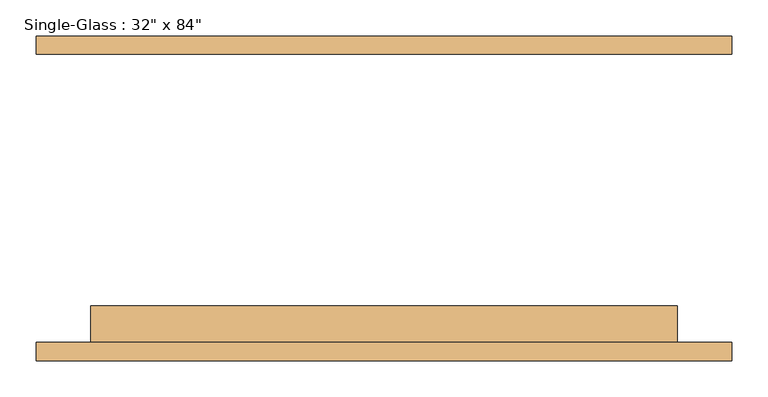
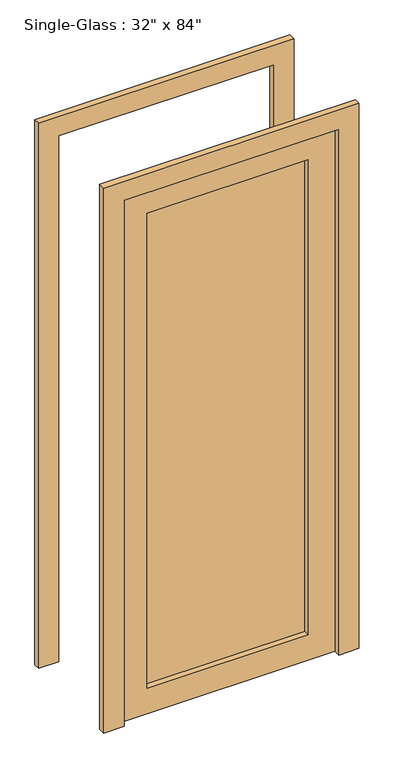
"""IFC4 building model written with IfcOpenShell, lengths in millimetres: door geometry."""

from ifc_helpers import new_model, si_unit, frame, origin, place, context, project, spatial, polyline, outline, extrude, source, transform, mapped, element, save


def door_3369b3f0(model_context):
    return source(origin(), model_context, "Body", "SweptSolid", [
        extrude(outline(polyline([(2100.0, 406.4), (0.0, 406.4), (0.0, 482.6), (2176.2, 482.6), (2176.2, -482.6), (0.0, -482.6), (0.0, -406.4), (2100.0, -406.4), (2100.0, 406.4)])), frame((0.0, 200.0, 0.0), z_axis=(0.0, 1.0, 0.0), x_axis=(0.0, 0.0, 1.0)), (0.0, 0.0, 1.0), 25.4),
        extrude(outline(polyline([(2100.0, 406.4), (0.0, 406.4), (0.0, 482.6), (2176.2, 482.6), (2176.2, -482.6), (0.0, -482.6), (0.0, -406.4), (2100.0, -406.4), (2100.0, 406.4)])), frame((0.0, -225.4, 0.0), z_axis=(0.0, 1.0, 0.0), x_axis=(0.0, 0.0, 1.0)), (0.0, 0.0, 1.0), 25.4),
        extrude(outline(polyline([(304.8, -171.425), (304.8, -177.775), (-304.8, -177.775), (-304.8, -171.425), (304.8, -171.425)])), frame((0.0, 0.0, 101.6), z_axis=(0.0, 0.0, 1.0), x_axis=(1.0, 0.0, 0.0)), (0.0, 0.0, 1.0), 1896.8),
        extrude(outline(polyline([(2100.0, 406.4), (2100.0, -406.4), (0.0, -406.4), (0.0, 406.4), (2100.0, 406.4)]), holes=[polyline([(1998.4, -304.8), (1998.4, 304.8), (101.6, 304.8), (101.6, -304.8), (1998.4, -304.8)])]), frame((0.0, -200.0, 0.0), z_axis=(0.0, 1.0, 0.0), x_axis=(0.0, 0.0, 1.0)), (0.0, 0.0, 1.0), 50.8),
    ])


if __name__ == "__main__":
    model = new_model("IFC4")
    model_context = context("Model", 3, world=origin())
    ifc_project = project(units=[si_unit("LENGTHUNIT", "METRE", prefix="MILLI")], contexts=[model_context])
    site = spatial("IfcSite", under=ifc_project)
    building = spatial("IfcBuilding", under=site)
    placement = place(None, origin())
    door_shape = door_3369b3f0(model_context)
    element("IfcDoor", 1, ObjectType="Single-Glass : 32\" x 84\"", at=placement, inside=building, context=model_context, shape_type="MappedRepresentation", body=[
        mapped(door_shape, transform((0.0, 0.0, 0.0), x_axis=(1.0, 0.0, 0.0), y_axis=(0.0, 1.0, 0.0), z_axis=(0.0, 0.0, 1.0))),
    ])
    save(model, "model.ifc")
